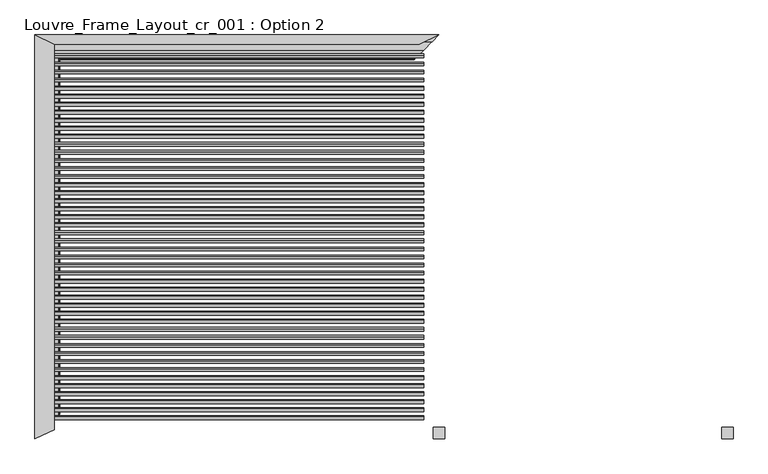
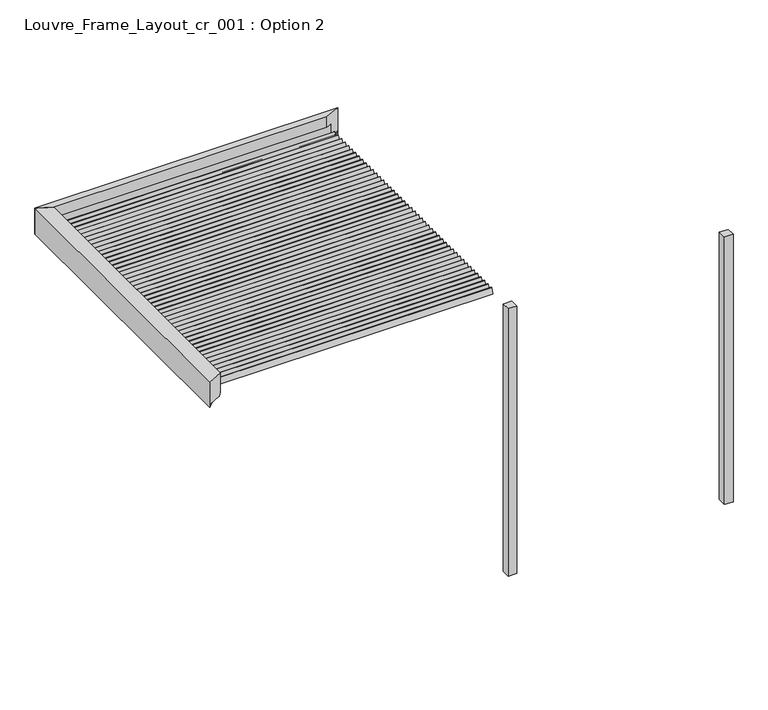
"""IFC4 building model written with IfcOpenShell, lengths in millimetres: proxy geometry, Louvre_Frame_Layout_cr_001 : Option 2."""

from ifc_helpers import new_model, si_unit, frame, origin, place, context, project, spatial, polyline, ellipse_curve, outline, extrude, source, transform, mapped, element, save
from ifc_brep_helpers import plane_surface, cylinder_surface, revolved_surface, advanced_brep


def louvre_frame_layout_cr_001_option_2_b3acac8b(model_context):
    return source(origin(), model_context, "Body", "SolidModel", [
        extrude(outline(polyline([(50.0, -1760.0), (50.0, -1860.0), (-50.0, -1860.0), (-50.0, -1760.0), (50.0, -1760.0)])), frame((0.0, 0.0, -3270.0), z_axis=(0.0, 0.0, 1.0), x_axis=(1.0, 0.0, 0.0)), (0.0, 0.0, 1.0), 3270.0),
        extrude(outline(polyline([(2550.0, -1860.0), (2450.0, -1860.0), (2450.0, -1760.0), (2550.0, -1760.0), (2550.0, -1860.0)])), frame((0.0, 0.0, -3270.0), z_axis=(0.0, 0.0, 1.0), x_axis=(1.0, 0.0, 0.0)), (0.0, 0.0, 1.0), 3270.0),
        extrude(outline(polyline([(0.0, 10.0), (3236.0, 10.0), (3236.0, 0.0), (0.0, 0.0), (0.0, 10.0)])), frame((-3368.0, -1624.9802792, 110.4249753), z_axis=(0.0, 0.3420201433256684, 0.9396926207859085), x_axis=(1.0, 0.0, 0.0)), (0.0, 0.0, 1.0), 70.0),
        extrude(outline(polyline([(0.0, 10.0), (3236.0, 10.0), (3236.0, 0.0), (0.0, 0.0), (0.0, 10.0)])), frame((-3368.0, -1555.2913903, 110.4249753), z_axis=(0.0, 0.3420201433256684, 0.9396926207859085), x_axis=(1.0, 0.0, 0.0)), (0.0, 0.0, 1.0), 70.0),
        extrude(outline(polyline([(0.0, 10.0000001), (3236.0, 10.0000001), (3236.0, 0.0), (0.0, 0.0), (0.0, 10.0000001)])), frame((-3368.0, -1485.6025015, 110.4249753), z_axis=(0.0, 0.3420201433256684, 0.9396926207859085), x_axis=(1.0, 0.0, 0.0)), (0.0, 0.0, 1.0), 70.0),
        extrude(outline(polyline([(0.0, 10.0), (3236.0, 10.0), (3236.0, 0.0), (0.0, 0.0), (0.0, 10.0)])), frame((-3368.0, -1415.9136126, 110.4249753), z_axis=(0.0, 0.3420201433256684, 0.9396926207859085), x_axis=(1.0, 0.0, 0.0)), (0.0, 0.0, 1.0), 70.0),
        extrude(outline(polyline([(0.0, 10.0), (3236.0, 10.0), (3236.0, 0.0), (0.0, 0.0), (0.0, 10.0)])), frame((-3368.0, -1346.2247237, 110.4249753), z_axis=(0.0, 0.3420201433256684, 0.9396926207859085), x_axis=(1.0, 0.0, 0.0)), (0.0, 0.0, 1.0), 70.0),
        extrude(outline(polyline([(0.0, 10.0), (3236.0, 10.0), (3236.0, 0.0), (0.0, 0.0), (0.0, 10.0)])), frame((-3368.0, -1276.5358348, 110.4249753), z_axis=(0.0, 0.3420201433256684, 0.9396926207859085), x_axis=(1.0, 0.0, 0.0)), (0.0, 0.0, 1.0), 70.0),
        extrude(outline(polyline([(0.0, 10.0), (3236.0, 10.0), (3236.0, 0.0), (0.0, 0.0), (0.0, 10.0)])), frame((-3368.0, -1206.8469459, 110.4249753), z_axis=(0.0, 0.3420201433256684, 0.9396926207859085), x_axis=(1.0, 0.0, 0.0)), (0.0, 0.0, 1.0), 70.0),
        extrude(outline(polyline([(0.0, 10.0), (3236.0, 10.0), (3236.0, 0.0), (0.0, 0.0), (0.0, 10.0)])), frame((-3368.0, -1137.158057, 110.4249753), z_axis=(0.0, 0.3420201433256684, 0.9396926207859085), x_axis=(1.0, 0.0, 0.0)), (0.0, 0.0, 1.0), 70.0),
        extrude(outline(polyline([(0.0, 10.0), (3236.0, 10.0), (3236.0, 0.0), (0.0, 0.0), (0.0, 10.0)])), frame((-3368.0, -1067.4691681, 110.4249753), z_axis=(0.0, 0.3420201433256684, 0.9396926207859085), x_axis=(1.0, 0.0, 0.0)), (0.0, 0.0, 1.0), 70.0),
        extrude(outline(polyline([(0.0, 10.0), (3236.0, 10.0), (3236.0, 0.0), (0.0, 0.0), (0.0, 10.0)])), frame((-3368.0, -997.7802792, 110.4249753), z_axis=(0.0, 0.3420201433256684, 0.9396926207859085), x_axis=(1.0, 0.0, 0.0)), (0.0, 0.0, 1.0), 70.0),
        extrude(outline(polyline([(0.0, 10.0), (3236.0, 10.0), (3236.0, 0.0), (0.0, 0.0), (0.0, 10.0)])), frame((-3368.0, -928.0913903, 110.4249753), z_axis=(0.0, 0.3420201433256684, 0.9396926207859085), x_axis=(1.0, 0.0, 0.0)), (0.0, 0.0, 1.0), 70.0),
        extrude(outline(polyline([(0.0, 10.0000001), (3236.0, 10.0000001), (3236.0, 0.0), (0.0, 0.0), (0.0, 10.0000001)])), frame((-3368.0, -858.4025015, 110.4249753), z_axis=(0.0, 0.3420201433256684, 0.9396926207859085), x_axis=(1.0, 0.0, 0.0)), (0.0, 0.0, 1.0), 70.0),
        extrude(outline(polyline([(0.0, 10.0), (3236.0, 10.0), (3236.0, 0.0), (0.0, 0.0), (0.0, 10.0)])), frame((-3368.0, -788.7136126, 110.4249753), z_axis=(0.0, 0.3420201433256684, 0.9396926207859085), x_axis=(1.0, 0.0, 0.0)), (0.0, 0.0, 1.0), 70.0),
        extrude(outline(polyline([(0.0, 10.0), (3236.0, 10.0), (3236.0, 0.0), (0.0, 0.0), (0.0, 10.0)])), frame((-3368.0, -719.0247237, 110.4249753), z_axis=(0.0, 0.3420201433256684, 0.9396926207859085), x_axis=(1.0, 0.0, 0.0)), (0.0, 0.0, 1.0), 70.0),
        extrude(outline(polyline([(0.0, 10.0), (3236.0, 10.0), (3236.0, 0.0), (0.0, 0.0), (0.0, 10.0)])), frame((-3368.0, -649.3358348, 110.4249753), z_axis=(0.0, 0.3420201433256684, 0.9396926207859085), x_axis=(1.0, 0.0, 0.0)), (0.0, 0.0, 1.0), 70.0),
        extrude(outline(polyline([(0.0, 10.0), (3236.0, 10.0), (3236.0, 0.0), (0.0, 0.0), (0.0, 10.0)])), frame((-3368.0, -579.6469459, 110.4249753), z_axis=(0.0, 0.3420201433256684, 0.9396926207859085), x_axis=(1.0, 0.0, 0.0)), (0.0, 0.0, 1.0), 70.0),
        extrude(outline(polyline([(0.0, 10.0), (3236.0, 10.0), (3236.0, 0.0), (0.0, 0.0), (0.0, 10.0)])), frame((-3368.0, -509.958057, 110.4249753), z_axis=(0.0, 0.3420201433256684, 0.9396926207859085), x_axis=(1.0, 0.0, 0.0)), (0.0, 0.0, 1.0), 70.0),
        extrude(outline(polyline([(0.0, 10.0), (3236.0, 10.0), (3236.0, 0.0), (0.0, 0.0), (0.0, 10.0)])), frame((-3368.0, -440.2691681, 110.4249753), z_axis=(0.0, 0.3420201433256684, 0.9396926207859085), x_axis=(1.0, 0.0, 0.0)), (0.0, 0.0, 1.0), 70.0),
        extrude(outline(polyline([(0.0, 10.0), (3236.0, 10.0), (3236.0, 0.0), (0.0, 0.0), (0.0, 10.0)])), frame((-3368.0, -370.5802792, 110.4249753), z_axis=(0.0, 0.3420201433256684, 0.9396926207859085), x_axis=(1.0, 0.0, 0.0)), (0.0, 0.0, 1.0), 70.0),
        extrude(outline(polyline([(0.0, 10.0), (3236.0, 10.0), (3236.0, 0.0), (0.0, 0.0), (0.0, 10.0)])), frame((-3368.0, -300.8913903, 110.4249753), z_axis=(0.0, 0.3420201433256684, 0.9396926207859085), x_axis=(1.0, 0.0, 0.0)), (0.0, 0.0, 1.0), 70.0),
        extrude(outline(polyline([(0.0, 10.0000001), (3236.0, 10.0000001), (3236.0, 0.0), (0.0, 0.0), (0.0, 10.0000001)])), frame((-3368.0, -231.2025015, 110.4249753), z_axis=(0.0, 0.3420201433256684, 0.9396926207859085), x_axis=(1.0, 0.0, 0.0)), (0.0, 0.0, 1.0), 70.0),
        extrude(outline(polyline([(0.0, 10.0), (3236.0, 10.0), (3236.0, 0.0), (0.0, 0.0), (0.0, 10.0)])), frame((-3368.0, -161.5136126, 110.4249753), z_axis=(0.0, 0.3420201433256684, 0.9396926207859085), x_axis=(1.0, 0.0, 0.0)), (0.0, 0.0, 1.0), 70.0),
        extrude(outline(polyline([(0.0, 10.0), (3236.0, 10.0), (3236.0, 0.0), (0.0, 0.0), (0.0, 10.0)])), frame((-3368.0, -91.8247237, 110.4249753), z_axis=(0.0, 0.3420201433256684, 0.9396926207859085), x_axis=(1.0, 0.0, 0.0)), (0.0, 0.0, 1.0), 70.0),
        extrude(outline(polyline([(0.0, 10.0), (3236.0, 10.0), (3236.0, 0.0), (0.0, 0.0), (0.0, 10.0)])), frame((-3368.0, -22.1358348, 110.4249753), z_axis=(0.0, 0.3420201433256684, 0.9396926207859085), x_axis=(1.0, 0.0, 0.0)), (0.0, 0.0, 1.0), 70.0),
        extrude(outline(polyline([(0.0, 10.0), (3236.0, 10.0), (3236.0, 0.0), (0.0, 0.0), (0.0, 10.0)])), frame((-3368.0, 47.5530541, 110.4249753), z_axis=(0.0, 0.3420201433256684, 0.9396926207859085), x_axis=(1.0, 0.0, 0.0)), (0.0, 0.0, 1.0), 70.0),
        extrude(outline(polyline([(0.0, 10.0), (3236.0, 10.0), (3236.0, 0.0), (0.0, 0.0), (0.0, 10.0)])), frame((-3368.0, 117.241943, 110.4249753), z_axis=(0.0, 0.3420201433256684, 0.9396926207859085), x_axis=(1.0, 0.0, 0.0)), (0.0, 0.0, 1.0), 70.0),
        extrude(outline(polyline([(0.0, 10.0), (3236.0, 10.0), (3236.0, 0.0), (0.0, 0.0), (0.0, 10.0)])), frame((-3368.0, 186.9308319, 110.4249753), z_axis=(0.0, 0.3420201433256684, 0.9396926207859085), x_axis=(1.0, 0.0, 0.0)), (0.0, 0.0, 1.0), 70.0),
        extrude(outline(polyline([(0.0, 10.0), (3236.0, 10.0), (3236.0, 0.0), (0.0, 0.0), (0.0, 10.0)])), frame((-3368.0, 256.6197208, 110.4249753), z_axis=(0.0, 0.3420201433256684, 0.9396926207859085), x_axis=(1.0, 0.0, 0.0)), (0.0, 0.0, 1.0), 70.0),
        extrude(outline(polyline([(0.0, 10.0), (3236.0, 10.0), (3236.0, 0.0), (0.0, 0.0), (0.0, 10.0)])), frame((-3368.0, 326.3086097, 110.4249753), z_axis=(0.0, 0.3420201433256684, 0.9396926207859085), x_axis=(1.0, 0.0, 0.0)), (0.0, 0.0, 1.0), 70.0),
        extrude(outline(polyline([(0.0, 10.0000001), (3236.0, 10.0000001), (3236.0, 0.0), (0.0, 0.0), (0.0, 10.0000001)])), frame((-3368.0, 395.9974985, 110.4249753), z_axis=(0.0, 0.3420201433256684, 0.9396926207859085), x_axis=(1.0, 0.0, 0.0)), (0.0, 0.0, 1.0), 70.0),
        extrude(outline(polyline([(0.0, 10.0), (3236.0, 10.0), (3236.0, 0.0), (0.0, 0.0), (0.0, 10.0)])), frame((-3368.0, 465.6863874, 110.4249753), z_axis=(0.0, 0.3420201433256684, 0.9396926207859085), x_axis=(1.0, 0.0, 0.0)), (0.0, 0.0, 1.0), 70.0),
        extrude(outline(polyline([(0.0, 10.0), (3236.0, 10.0), (3236.0, 0.0), (0.0, 0.0), (0.0, 10.0)])), frame((-3368.0, 535.3752763, 110.4249753), z_axis=(0.0, 0.3420201433256684, 0.9396926207859085), x_axis=(1.0, 0.0, 0.0)), (0.0, 0.0, 1.0), 70.0),
        extrude(outline(polyline([(0.0, 10.0), (3236.0, 10.0), (3236.0, 0.0), (0.0, 0.0), (0.0, 10.0)])), frame((-3368.0, 605.0641652, 110.4249753), z_axis=(0.0, 0.3420201433256684, 0.9396926207859085), x_axis=(1.0, 0.0, 0.0)), (0.0, 0.0, 1.0), 70.0),
        extrude(outline(polyline([(0.0, 10.0), (3236.0, 10.0), (3236.0, 0.0), (0.0, 0.0), (0.0, 10.0)])), frame((-3368.0, 674.7530541, 110.4249753), z_axis=(0.0, 0.3420201433256684, 0.9396926207859085), x_axis=(1.0, 0.0, 0.0)), (0.0, 0.0, 1.0), 70.0),
        extrude(outline(polyline([(0.0, 10.0), (3236.0, 10.0), (3236.0, 0.0), (0.0, 0.0), (0.0, 10.0)])), frame((-3368.0, 744.441943, 110.4249753), z_axis=(0.0, 0.3420201433256684, 0.9396926207859085), x_axis=(1.0, 0.0, 0.0)), (0.0, 0.0, 1.0), 70.0),
        extrude(outline(polyline([(0.0, 10.0), (3236.0, 10.0), (3236.0, 0.0), (0.0, 0.0), (0.0, 10.0)])), frame((-3368.0, 814.1308319, 110.4249753), z_axis=(0.0, 0.3420201433256684, 0.9396926207859085), x_axis=(1.0, 0.0, 0.0)), (0.0, 0.0, 1.0), 70.0),
        extrude(outline(polyline([(0.0, 10.0), (3236.0, 10.0), (3236.0, 0.0), (0.0, 0.0), (0.0, 10.0)])), frame((-3368.0, 883.8197208, 110.4249753), z_axis=(0.0, 0.3420201433256684, 0.9396926207859085), x_axis=(1.0, 0.0, 0.0)), (0.0, 0.0, 1.0), 70.0),
        extrude(outline(polyline([(0.0, 10.0), (3236.0, 10.0), (3236.0, 0.0), (0.0, 0.0), (0.0, 10.0)])), frame((-3368.0, 953.5086097, 110.4249753), z_axis=(0.0, 0.3420201433256684, 0.9396926207859085), x_axis=(1.0, 0.0, 0.0)), (0.0, 0.0, 1.0), 70.0),
        extrude(outline(polyline([(0.0, 10.0000001), (3236.0, 10.0000001), (3236.0, 0.0), (0.0, 0.0), (0.0, 10.0000001)])), frame((-3368.0, 1023.1974985, 110.4249753), z_axis=(0.0, 0.3420201433256684, 0.9396926207859085), x_axis=(1.0, 0.0, 0.0)), (0.0, 0.0, 1.0), 70.0),
        extrude(outline(polyline([(0.0, 10.0), (3236.0, 10.0), (3236.0, 0.0), (0.0, 0.0), (0.0, 10.0)])), frame((-3368.0, 1092.8863874, 110.4249753), z_axis=(0.0, 0.3420201433256684, 0.9396926207859085), x_axis=(1.0, 0.0, 0.0)), (0.0, 0.0, 1.0), 70.0),
        extrude(outline(polyline([(0.0, 10.0), (3236.0, 10.0), (3236.0, 0.0), (0.0, 0.0), (0.0, 10.0)])), frame((-3368.0, 1162.5752763, 110.4249753), z_axis=(0.0, 0.3420201433256684, 0.9396926207859085), x_axis=(1.0, 0.0, 0.0)), (0.0, 0.0, 1.0), 70.0),
        extrude(outline(polyline([(0.0, 10.0), (3236.0, 10.0), (3236.0, 0.0), (0.0, 0.0), (0.0, 10.0)])), frame((-3368.0, 1232.2641652, 110.4249753), z_axis=(0.0, 0.3420201433256684, 0.9396926207859085), x_axis=(1.0, 0.0, 0.0)), (0.0, 0.0, 1.0), 70.0),
        extrude(outline(polyline([(0.0, 10.0), (3236.0, 10.0), (3236.0, 0.0), (0.0, 0.0), (0.0, 10.0)])), frame((-3368.0, 1301.9530541, 110.4249753), z_axis=(0.0, 0.3420201433256684, 0.9396926207859085), x_axis=(1.0, 0.0, 0.0)), (0.0, 0.0, 1.0), 70.0),
        extrude(outline(polyline([(0.0, 10.0), (3236.0, 10.0), (3236.0, 0.0), (0.0, 0.0), (0.0, 10.0)])), frame((-3368.0, 1371.641943, 110.4249753), z_axis=(0.0, 0.3420201433256684, 0.9396926207859085), x_axis=(1.0, 0.0, 0.0)), (0.0, 0.0, 1.0), 70.0),
        extrude(outline(polyline([(0.0, 10.0), (3236.0, 10.0), (3236.0, 0.0), (0.0, 0.0), (0.0, 10.0)])), frame((-3368.0, -1694.6691681, 110.4249753), z_axis=(0.0, 0.3420201433256684, 0.9396926207859085), x_axis=(1.0, 0.0, 0.0)), (0.0, 0.0, 1.0), 70.0),
        extrude(outline(polyline([(0.0, 10.0), (3236.0, 10.0), (3236.0, 0.0), (0.0, 0.0), (0.0, 10.0)])), frame((-3368.0, 1441.3308319, 110.4249753), z_axis=(0.0, 0.3420201433256684, 0.9396926207859085), x_axis=(1.0, 0.0, 0.0)), (0.0, 0.0, 1.0), 70.0),
        advanced_brep(
        [(-3349.8942843, 1489.8942843, 0.0), (-3284.8218695, 1424.8218695, 26.1870213), (-3284.8218695, 1424.8218695, 39.3616238), (-3285.4888339, 1425.4888339, 40.0285881), (-3291.0621612, 1431.0621612, 40.0285881), (-3291.7291256, 1431.7291256, 39.3616238), (-3291.7291256, 1431.7291256, 25.5580129), (-3336.794989, 1476.794989, 7.4266447), (-3364.8199959, 1504.8199959, 2.0018958), (-3443.0005687, 1583.0005687, 2.0018958), (-3448.0054103, 1588.0054103, 7.0067374), (-3448.0054103, 1588.0054103, 36.2093165), (-3447.4216619, 1587.4216619, 36.793065), (-3444.7025891, 1584.7025891, 36.793065), (-3442.6996709, 1582.6996709, 38.7959832), (-3500.0, 1640.0, 38.8575344), (-3500.0, 1640.0, 0.0), (0.0, 1640.0, 0.0), (0.0, 1640.0, 38.8575344), (-57.2993831, 1582.7006169, 38.8575344), (-55.2974109, 1584.7025891, 36.793065), (-52.5783381, 1587.4216619, 36.793065), (-51.9945897, 1588.0054103, 36.2093165), (-51.9945897, 1588.0054103, 7.0067374), (-56.9994313, 1583.0005687, 2.0018958), (-135.1800041, 1504.8199959, 2.0018958), (-163.205011, 1476.794989, 7.4266447), (-208.2708744, 1431.7291256, 25.5580129), (-208.2708744, 1431.7291256, 39.3616238), (-208.9378388, 1431.0621612, 40.0285881), (-214.5111661, 1425.4888339, 40.0285881), (-215.1781305, 1424.8218695, 39.3616238), (-215.1781305, 1424.8218695, 26.1870213), (-150.1057157, 1489.8942843, 0.0), (-3378.3701643, 1582.7006169, 38.8575344), (-3378.3701643, 1582.6996709, 64.3212787), (-3382.6221378, 1584.7027935, 66.3244014), (-3388.3114217, 1587.3830392, 66.3244014), (-3389.6325118, 1588.0054103, 66.9467725), (-3389.6325118, 1588.0054103, 186.7535382), (-3330.2950263, 1560.0512704, 186.7535382), (-3330.2950263, 1560.0512704, 316.6276048), (-3500.0, 1640.0, 316.6276048), (-3500.0, 1640.0, 40.0285881), (-169.7049737, 1560.0512704, 316.6276048), (0.0, 1640.0, 316.6276048), (0.0, 1640.0, 40.0285881), (-121.6298357, 1582.7006169, 38.8575344), (-121.6298357, 1582.6996709, 64.3212787), (-117.3778622, 1584.7027935, 66.3244014), (-111.6885783, 1587.3830392, 66.3244014), (-110.3674882, 1588.0054103, 66.9467725), (-110.3674882, 1588.0054103, 186.7535382), (-169.7049737, 1560.0512704, 186.7535382)],
        [
            (0, 1),
            (1, 2),
            (2, 3, ellipse_curve(frame((-3285.4888339, 1425.4888339, 39.3616238), z_axis=(-0.7071067811865666, -0.7071067811865285, 0.0), x_axis=(0.7071067811865286, -0.7071067811865666, 0.0)), 0.94323, 0.6669644)),
            (3, 4),
            (4, 5, ellipse_curve(frame((-3291.0621612, 1431.0621612, 39.3616238), z_axis=(-0.7071067811865666, -0.7071067811865285, 0.0), x_axis=(0.7071067811865286, -0.7071067811865666, 0.0)), 0.94323, 0.6669644)),
            (5, 6),
            (6, 7),
            (7, 8, ellipse_curve(frame((-3364.8119854, 1504.8119854, 77.0634267), z_axis=(0.7071067811865666, 0.7071067811865285, 0.0), x_axis=(-0.7071067811865286, 0.7071067811865666, 0.0)), 106.1530357, 75.0615314)),
            (8, 9),
            (9, 10, ellipse_curve(frame((-3443.0005687, 1583.0005687, 7.0067374), z_axis=(0.7071067811865666, 0.7071067811865285, 0.0), x_axis=(-0.7071067811865286, 0.7071067811865666, 0.0)), 7.0779149, 5.0048416)),
            (10, 11),
            (11, 12, ellipse_curve(frame((-3447.4216619, 1587.4216619, 36.2093165), z_axis=(0.7071067811865666, 0.7071067811865285, 0.0), x_axis=(-0.7071067811865286, 0.7071067811865666, 0.0)), 0.825545, 0.5837485)),
            (12, 13),
            (13, 14, ellipse_curve(frame((-3444.7025891, 1584.7025891, 38.7959832), z_axis=(-0.7071067811865666, -0.7071067811865285, 0.0), x_axis=(0.7071067811865286, -0.7071067811865666, 0.0)), 2.832554, 2.0029182)),
            (14, 15),
            (15, 16),
            (16, 0),
            (17, 18),
            (18, 19),
            (19, 20, ellipse_curve(frame((-55.2974109, 1584.7025891, 38.7959832), z_axis=(0.7071067811865351, -0.7071067811865599, 0.0), x_axis=(0.7071067811865599, 0.7071067811865351, 0.0)), 2.832554, 2.0029182)),
            (20, 21),
            (21, 22, ellipse_curve(frame((-52.5783381, 1587.4216619, 36.2093165), z_axis=(-0.7071067811865351, 0.7071067811865599, 0.0), x_axis=(-0.7071067811865599, -0.7071067811865351, 0.0)), 0.825545, 0.5837485)),
            (22, 23),
            (23, 24, ellipse_curve(frame((-56.9994313, 1583.0005687, 7.0067374), z_axis=(-0.7071067811865351, 0.7071067811865599, 0.0), x_axis=(-0.7071067811865599, -0.7071067811865351, 0.0)), 7.0779149, 5.0048416)),
            (24, 25),
            (25, 26, ellipse_curve(frame((-135.1880146, 1504.8119854, 77.0634267), z_axis=(-0.7071067811865351, 0.7071067811865599, 0.0), x_axis=(-0.7071067811865599, -0.7071067811865351, 0.0)), 106.1530357, 75.0615314)),
            (26, 27),
            (27, 28),
            (28, 29, ellipse_curve(frame((-208.9378388, 1431.0621612, 39.3616238), z_axis=(0.7071067811865351, -0.7071067811865599, 0.0), x_axis=(0.7071067811865599, 0.7071067811865351, 0.0)), 0.94323, 0.6669644)),
            (29, 30),
            (30, 31, ellipse_curve(frame((-214.5111661, 1425.4888339, 39.3616238), z_axis=(0.7071067811865351, -0.7071067811865599, 0.0), x_axis=(0.7071067811865599, 0.7071067811865351, 0.0)), 0.94323, 0.6669644)),
            (31, 32),
            (32, 33),
            (33, 17),
            (14, 34),
            (34, 15),
            (34, 35),
            (35, 36, ellipse_curve(frame((-3382.6221378, 1584.7027935, 64.3212787), z_axis=(-0.426179151091085, -0.9046387849165446, 0.0), x_axis=(0.9046387849165445, -0.426179151091085, 0.0)), 4.7001892, 2.0031227)),
            (36, 37),
            (37, 38, ellipse_curve(frame((-3388.3114217, 1587.3830392, 66.9467725), z_axis=(0.426179151091085, 0.9046387849165446, 0.0), x_axis=(-0.9046387849165445, 0.426179151091085, 0.0)), 1.460351, 0.6223711)),
            (38, 39),
            (39, 40),
            (40, 41),
            (41, 42),
            (42, 43),
            (43, 15),
            (41, 44),
            (44, 45),
            (45, 42),
            (45, 46),
            (46, 18),
            (17, 16),
            (33, 0),
            (32, 1),
            (31, 2),
            (30, 3),
            (29, 4),
            (28, 5),
            (27, 6),
            (26, 7),
            (25, 8),
            (24, 9),
            (23, 10),
            (22, 11),
            (21, 12),
            (20, 13),
            (19, 47),
            (47, 34),
            (47, 48),
            (48, 35),
            (48, 49, ellipse_curve(frame((-117.3778622, 1584.7027935, 64.3212787), z_axis=(-0.4261791510912805, 0.9046387849164524, 0.0), x_axis=(0.9046387849164526, 0.4261791510912806, 0.0)), 4.7001892, 2.0031227)),
            (49, 36),
            (49, 50),
            (50, 37),
            (50, 51, ellipse_curve(frame((-111.6885783, 1587.3830392, 66.9467725), z_axis=(0.4261791510912805, -0.9046387849164524, 0.0), x_axis=(-0.9046387849164526, -0.4261791510912806, 0.0)), 1.460351, 0.6223711)),
            (51, 38),
            (51, 52),
            (52, 39),
            (52, 53),
            (53, 40),
            (53, 44),
            (18, 47),
        ],
        [
            plane_surface(frame((-3500.0, 1640.0, 40.0285881), z_axis=(-0.7071067811865666, -0.7071067811865285, 0.0), x_axis=(0.0, 0.0, -1.0))),
            plane_surface(frame((-258.0939751, 1381.9060249, 40.0285881), z_axis=(0.7071067811865351, -0.7071067811865599, 0.0), x_axis=(0.0, 0.0, -1.0))),
            plane_surface(frame((-3500.0, 1560.0512704, 38.8575344), z_axis=(0.0, 0.0, 1.0), x_axis=(1.0, 0.0, 0.0))),
            plane_surface(frame((-3500.0, 1640.0, 398.4370867), z_axis=(-0.426179151091085, -0.9046387849165446, 0.0), x_axis=(0.0, 0.0, -1.0))),
            plane_surface(frame((0.0, 1560.0512704, 316.6276048), z_axis=(0.0, 0.0, 1.0), x_axis=(-1.0, 0.0, 0.0))),
            plane_surface(frame((0.0, 1640.0, 316.6276048), z_axis=(0.0, 1.0, 0.0), x_axis=(-1.0, 0.0, 0.0))),
            plane_surface(frame((0.0, 1640.0, 0.0), z_axis=(0.0, 0.0, -1.0), x_axis=(-1.0, 0.0, 0.0))),
            plane_surface(frame((0.0, 1489.8942843, 0.0), z_axis=(0.0, -0.3733323631651337, -0.927697659053604), x_axis=(-1.0, 0.0, 0.0))),
            plane_surface(frame((0.0, 1424.8218695, 26.1870213), z_axis=(0.0, -1.0, 0.0), x_axis=(-1.0, 0.0, 0.0))),
            cylinder_surface(frame((0.0, 1425.4888339, 39.3616238), z_axis=(1.0, 0.0, 0.0), x_axis=(0.0, 1.0, 0.0)), 0.6669644),
            plane_surface(frame((0.0, 1425.4888339, 40.0285881), z_axis=(0.0, 0.0, 1.0), x_axis=(-1.0, 0.0, 0.0))),
            cylinder_surface(frame((0.0, 1431.0621612, 39.3616238), z_axis=(1.0, 0.0, 0.0), x_axis=(0.0, -1.0, 0.0)), 0.6669644),
            plane_surface(frame((0.0, 1431.7291256, 39.3616238), z_axis=(0.0, 1.0, 0.0), x_axis=(-1.0, 0.0, 0.0))),
            plane_surface(frame((0.0, 1431.7291256, 25.5580129), z_axis=(0.0, 0.37325372835204085, 0.9277293001039155), x_axis=(-1.0, 0.0, 0.0))),
            revolved_surface(polyline([(-3439.873516787006, 1429.750454, 77.0634267), (-60.12648321299102, 1429.750454, 77.0634267)]), (0.0, 1504.8119854, 77.0634267), (-1.0, 0.0, 0.0)),
            plane_surface(frame((0.0, 1504.8199959, 2.0018958), z_axis=(0.0, 0.0, 1.0), x_axis=(-1.0, 0.0, 0.0))),
            revolved_surface(polyline([(-3448.005410322451, 1577.9957271, 7.0067374), (-51.9945896775486, 1577.9957271, 7.0067374)]), (0.0, 1583.0005687, 7.0067374), (-1.0, 0.0, 0.0)),
            plane_surface(frame((0.0, 1588.0054103, 7.0067374), z_axis=(0.0, -1.0, 0.0), x_axis=(-1.0, 0.0, 0.0))),
            revolved_surface(polyline([(-3448.0054103676744, 1586.8379134, 36.2093165), (-51.994589632325344, 1586.8379134, 36.2093165)]), (0.0, 1587.4216619, 36.2093165), (-1.0, 0.0, 0.0)),
            plane_surface(frame((0.0, 1587.4216619, 36.793065), z_axis=(0.0, 0.0, -1.0), x_axis=(-1.0, 0.0, 0.0))),
            cylinder_surface(frame((0.0, 1584.7025891, 38.7959832), z_axis=(1.0, 0.0, 0.0), x_axis=(0.0, -1.0, 0.0)), 2.0029182),
            plane_surface(frame((0.0, 1582.6996709, 38.7959832), z_axis=(0.0, -1.0, 0.0), x_axis=(-1.0, 0.0, 0.0))),
            cylinder_surface(frame((0.0, 1584.7027935, 64.3212787), z_axis=(1.0, 0.0, 0.0), x_axis=(0.0, -1.0, 0.0)), 2.0031227),
            plane_surface(frame((0.0, 1584.7027935, 66.3244014), z_axis=(0.0, 0.0, 1.0), x_axis=(-1.0, 0.0, 0.0))),
            revolved_surface(polyline([(-3389.6325118541918, 1586.7606681, 66.9467725), (-110.36748814580848, 1586.7606681, 66.9467725)]), (0.0, 1587.3830392, 66.9467725), (-1.0, 0.0, 0.0)),
            plane_surface(frame((0.0, 1588.0054103, 66.9467725), z_axis=(0.0, -1.0, 0.0), x_axis=(-1.0, 0.0, 0.0))),
            plane_surface(frame((0.0, 1588.0054103, 186.7535382), z_axis=(0.0, 0.0, -1.0), x_axis=(-1.0, 0.0, 0.0))),
            plane_surface(frame((0.0, 1560.0512704, 186.7535382), z_axis=(0.0, -1.0, 0.0), x_axis=(-1.0, 0.0, 0.0))),
            plane_surface(frame((0.0, 1640.0, 38.8575344), z_axis=(0.0, 0.0, 1.0), x_axis=(-0.9046387849164524, -0.4261791510912805, 0.0))),
            plane_surface(frame((-169.7049737, 1560.0512704, 398.4370867), z_axis=(0.4261791510912805, -0.9046387849164524, 0.0), x_axis=(0.0, 0.0, -1.0))),
        ],
        [
            (0, [[1, 2, 3, 4, 5, 6, 7, 8, 9, 10, 11, 12, 13, 14, 15, 16, 17]]),
            (1, [[18, 19, 20, 21, 22, 23, 24, 25, 26, 27, 28, 29, 30, 31, 32, 33, 34]]),
            (2, [[-15, 35, 36]]),
            (3, [[37, 38, 39, 40, 41, 42, 43, 44, 45, 46, -36]]),
            (4, [[-44, 47, 48, 49]]),
            (5, [[50, 51, -18, 52, -16, -46, -45, -49]]),
            (6, [[-34, 53, -17, -52]]),
            (7, [[-53, -33, 54, -1]]),
            (8, [[-54, -32, 55, -2]]),
            (9, [[-55, -31, 56, -3]]),
            (10, [[-56, -30, 57, -4]]),
            (11, [[-57, -29, 58, -5]]),
            (12, [[-58, -28, 59, -6]]),
            (13, [[-59, -27, 60, -7]]),
            (14, [[-60, -26, 61, -8]]),
            (15, [[-61, -25, 62, -9]]),
            (16, [[-62, -24, 63, -10]]),
            (17, [[-63, -23, 64, -11]]),
            (18, [[-64, -22, 65, -12]]),
            (19, [[-65, -21, 66, -13]]),
            (20, [[-66, -20, 67, 68, -35, -14]]),
            (21, [[-68, 69, 70, -37]]),
            (22, [[-70, 71, 72, -38]]),
            (23, [[-72, 73, 74, -39]]),
            (24, [[-74, 75, 76, -40]]),
            (25, [[-76, 77, 78, -41]]),
            (26, [[-78, 79, 80, -42]]),
            (27, [[-80, 81, -47, -43]]),
            (28, [[-67, -19, 82]]),
            (29, [[-51, -50, -48, -81, -79, -77, -75, -73, -71, -69, -82]]),
        ],
    ),
        advanced_brep(
        [(-3500.0, -1860.0, 40.0285881), (-3500.0, -1860.0, 36.793065), (-3500.0, -1860.0, 0.0), (-3349.8942843, -1709.9379038, 0.0), (-3285.3886853, -1645.4510496, 25.9589183), (-3284.8218695, -1644.8843985, 26.5150991), (-3284.8218695, -1644.8843985, 39.3616238), (-3285.4888339, -1645.5511691, 40.0285881), (-3291.0621612, -1651.1228768, 40.0285881), (-3291.7291256, -1651.7896474, 39.3616238), (-3291.7291256, -1651.7896474, 25.5580129), (-3336.794989, -1696.842415, 7.4266447), (-3364.8199959, -1724.8592781, 2.0018958), (-3443.0005687, -1803.0171323, 2.0018958), (-3448.0054103, -1808.0205195, 7.0067374), (-3448.0054103, -1808.0205195, 30.0771301), (-3437.2798539, -1797.2980799, 30.0771301), (-3437.2798539, -1797.2980799, 37.2197882), (-3435.6421077, -1795.6608096, 38.8575344), (-3357.499356, -1717.5407655, 38.8575344), (-3354.7049082, -1714.7471297, 40.0285881), (-3354.7049082, 1494.7471297, 40.0285881), (-3357.499356, 1497.5407655, 38.8575344), (-3435.6421077, 1575.6608096, 38.8575344), (-3437.2798539, 1577.2980799, 37.2197882), (-3437.2798539, 1577.2980799, 30.0771301), (-3448.0054103, 1588.0205195, 30.0771301), (-3448.0054103, 1588.0205195, 7.0067374), (-3443.0005687, 1583.0171323, 2.0018958), (-3364.8199959, 1504.8592781, 2.0018958), (-3336.794989, 1476.842415, 7.4266447), (-3291.7291256, 1431.7896474, 25.5580129), (-3291.7291256, 1431.7896474, 39.3616238), (-3291.0621612, 1431.1228768, 40.0285881), (-3285.4888339, 1425.5511691, 40.0285881), (-3284.8218695, 1424.8843985, 39.3616238), (-3284.8218695, 1424.8843985, 26.5150991), (-3285.3886853, 1425.4510496, 25.9589183), (-3349.8942843, 1489.9379038, 0.0), (-3500.0, 1640.0, 0.0), (-3500.0, 1640.0, 36.793065), (-3500.0, 1640.0, 40.0285881), (-3330.2950263, 1560.0512704, 186.2985422), (-3336.7193678, 1563.0778048, 186.2985422), (-3336.7193678, 1563.0778048, 88.3970766), (-3330.3018549, 1560.0544873, 88.3970766), (-3330.3018549, 1560.0544873, 79.2796958), (-3352.0673551, 1570.3083064, 42.7736155), (-3354.7049082, 1571.5508688, 40.0285881), (-3500.0, 1640.0, 315.1230176), (-3330.2950263, 1560.0512704, 315.1230176), (-3354.7049082, -1791.5508688, 40.0285881), (-3330.2950263, -1780.0512704, 315.1230176), (-3330.2950263, -1780.0512704, 186.2985422), (-3336.7193678, -1783.0778048, 186.2985422), (-3336.7193678, -1783.0778048, 88.3970766), (-3330.3018549, -1780.0544873, 88.3970766), (-3330.3018549, -1780.0544873, 79.2796958), (-3352.0673551, -1790.3083064, 42.7736155), (-3500.0, -1860.0, 315.1230176)],
        [
            (0, 1),
            (1, 2),
            (2, 3),
            (3, 4),
            (4, 5, ellipse_curve(frame((-3285.7754513, -1645.8377032, 26.9199973), z_axis=(0.7070040190667776, -0.7072095283743168, 0.0), x_axis=(-0.7072095283743168, -0.7070040190667775, 0.0)), 1.4648884, 1.035983)),
            (5, 6),
            (6, 7, ellipse_curve(frame((-3285.4888339, -1645.5511691, 39.3616238), z_axis=(0.7070040190667776, -0.7072095283743168, 0.0), x_axis=(-0.7072095283743168, -0.7070040190667775, 0.0)), 0.943093, 0.6669644)),
            (7, 8),
            (8, 9, ellipse_curve(frame((-3291.0621612, -1651.1228768, 39.3616238), z_axis=(0.7070040190667776, -0.7072095283743168, 0.0), x_axis=(-0.7072095283743168, -0.7070040190667775, 0.0)), 0.943093, 0.6669644)),
            (9, 10),
            (10, 11),
            (11, 12, ellipse_curve(frame((-3364.8119854, -1724.85127, 77.0634267), z_axis=(-0.7070040190667776, 0.7072095283743168, 0.0), x_axis=(0.7072095283743168, 0.7070040190667775, 0.0)), 106.1376132, 75.0615314)),
            (12, 13),
            (13, 14, ellipse_curve(frame((-3443.0005687, -1803.0171323, 7.0067374), z_axis=(-0.7070040190667776, 0.7072095283743168, 0.0), x_axis=(0.7072095283743168, 0.7070040190667775, 0.0)), 7.0768866, 5.0048416)),
            (14, 15),
            (15, 16),
            (16, 17),
            (17, 18, ellipse_curve(frame((-3435.6421077, -1795.6608096, 37.2197882), z_axis=(-0.7070040190667776, 0.7072095283743168, 0.0), x_axis=(0.7072095283743168, 0.7070040190667775, 0.0)), 2.3157864, 1.6377462)),
            (18, 19),
            (19, 20, ellipse_curve(frame((-3359.3065931, -1719.3474774, 47.0897633), z_axis=(0.7070040190667776, -0.7072095283743168, 0.0), x_axis=(-0.7072095283743168, -0.7070040190667775, 0.0)), 11.917639, 8.4282679)),
            (20, 0),
            (21, 22, ellipse_curve(frame((-3359.3065931, 1499.3474775, 47.0897633), z_axis=(0.707004019064737, 0.707209528376357, 0.0), x_axis=(0.707209528376357, -0.7070040190647368, 0.0)), 11.917639, 8.4282679)),
            (22, 23),
            (23, 24, ellipse_curve(frame((-3435.6421077, 1575.6608096, 37.2197882), z_axis=(-0.707004019064737, -0.707209528376357, 0.0), x_axis=(-0.707209528376357, 0.7070040190647368, 0.0)), 2.3157864, 1.6377462)),
            (24, 25),
            (25, 26),
            (26, 27),
            (27, 28, ellipse_curve(frame((-3443.0005687, 1583.0171323, 7.0067374), z_axis=(-0.707004019064737, -0.707209528376357, 0.0), x_axis=(-0.707209528376357, 0.7070040190647368, 0.0)), 7.0768866, 5.0048416)),
            (28, 29),
            (29, 30, ellipse_curve(frame((-3364.8119854, 1504.85127, 77.0634267), z_axis=(-0.707004019064737, -0.707209528376357, 0.0), x_axis=(-0.707209528376357, 0.7070040190647368, 0.0)), 106.1376132, 75.0615314)),
            (30, 31),
            (31, 32),
            (32, 33, ellipse_curve(frame((-3291.0621612, 1431.1228768, 39.3616238), z_axis=(0.707004019064737, 0.707209528376357, 0.0), x_axis=(0.707209528376357, -0.7070040190647368, 0.0)), 0.943093, 0.6669644)),
            (33, 34),
            (34, 35, ellipse_curve(frame((-3285.4888339, 1425.5511691, 39.3616238), z_axis=(0.707004019064737, 0.707209528376357, 0.0), x_axis=(0.707209528376357, -0.7070040190647368, 0.0)), 0.943093, 0.6669644)),
            (35, 36),
            (36, 37, ellipse_curve(frame((-3285.7754513, 1425.8377032, 26.9199973), z_axis=(0.707004019064737, 0.707209528376357, 0.0), x_axis=(0.707209528376357, -0.7070040190647368, 0.0)), 1.4648884, 1.035983)),
            (37, 38),
            (38, 39),
            (39, 40),
            (40, 41),
            (41, 21),
            (42, 43),
            (43, 44),
            (44, 45),
            (45, 46),
            (46, 47),
            (47, 48, ellipse_curve(frame((-3359.3065931, 1573.718742, 47.0897633), z_axis=(0.42617915109108384, 0.9046387849165451, 0.0), x_axis=(0.9046387849165451, -0.42617915109108356, 0.0)), 9.3167218, 8.4282679)),
            (48, 41),
            (41, 49),
            (49, 50),
            (50, 42),
            (20, 51),
            (51, 0),
            (48, 21),
            (50, 52),
            (52, 53),
            (53, 42),
            (53, 54),
            (54, 43),
            (54, 55),
            (55, 44),
            (55, 56),
            (56, 45),
            (56, 57),
            (57, 46),
            (57, 58),
            (58, 47),
            (19, 22),
            (58, 51, ellipse_curve(frame((-3359.3065931, -1793.718742, 47.0897633), z_axis=(-0.42617915109110643, 0.9046387849165345, 0.0), x_axis=(-0.9046387849165346, -0.42617915109110627, 0.0)), 9.3167218, 8.4282679)),
            (18, 23),
            (17, 24),
            (16, 25),
            (15, 26),
            (14, 27),
            (13, 28),
            (12, 29),
            (11, 30),
            (10, 31),
            (9, 32),
            (8, 33),
            (7, 34),
            (6, 35),
            (5, 36),
            (4, 37),
            (3, 38),
            (2, 39),
            (0, 59),
            (59, 49),
            (59, 52),
        ],
        [
            plane_surface(frame((-3500.0, -1860.0, 40.0285881), z_axis=(0.7070040190667776, -0.7072095283743168, 0.0), x_axis=(0.0, 0.0, -1.0))),
            plane_surface(frame((-3241.9060249, 1381.9810249, 40.0285881), z_axis=(0.707004019064737, 0.707209528376357, 0.0), x_axis=(0.0, 0.0, -1.0))),
            plane_surface(frame((-3330.2950263, 1560.0512704, 355.5911694), z_axis=(0.42617915109108384, 0.9046387849165451, 0.0), x_axis=(0.0, 0.0, -1.0))),
            plane_surface(frame((-3241.9060249, -1601.9810249, 40.0285881), z_axis=(0.0, 0.0, -1.0), x_axis=(0.0, -1.0, 0.0))),
            plane_surface(frame((-3500.0, 1640.0, 40.0285881), z_axis=(0.0, 0.0, -1.0000000000000002), x_axis=(-0.707209528376357, 0.707004019064737, 0.0))),
            plane_surface(frame((-3330.2950263, -1860.0, 315.1230176), z_axis=(1.0, 0.0, 0.0), x_axis=(0.0, 1.0, 0.0))),
            plane_surface(frame((-3330.2950263, -1860.0, 186.2985422), z_axis=(0.0, 0.0, -1.0), x_axis=(0.0, 1.0, 0.0))),
            plane_surface(frame((-3336.7193678, -1860.0, 186.2985422), z_axis=(1.0, 0.0, 0.0), x_axis=(0.0, 1.0, 0.0))),
            plane_surface(frame((-3336.7193678, -1860.0, 88.3970766), z_axis=(0.0, 0.0, 1.0), x_axis=(0.0, 1.0, 0.0))),
            plane_surface(frame((-3330.3018549, -1860.0, 88.3970766), z_axis=(1.0, 0.0, 0.0), x_axis=(0.0, 1.0, 0.0))),
            plane_surface(frame((-3330.3018549, -1860.0, 79.2796958), z_axis=(0.8589235852565517, 0.0, -0.5121037733604697), x_axis=(0.0, 1.0, 0.0))),
            cylinder_surface(frame((-3359.3065931, -1860.0, 47.0897633), z_axis=(0.0, -1.0, 0.0), x_axis=(1.0, 0.0, 0.0)), 8.4282679),
            plane_surface(frame((-3357.499356, -1860.0, 38.8575344), z_axis=(0.0, 0.0, -1.0), x_axis=(0.0, 1.0, 0.0))),
            revolved_surface(polyline([(-3434.0043615, 1577.2980798999997, 37.2197882), (-3434.0043615, -1797.2980799, 37.2197882)]), (-3435.6421077, -1860.0, 37.2197882), (0.0, 1.0, 0.0)),
            plane_surface(frame((-3437.2798539, -1860.0, 37.2197882), z_axis=(1.0, 0.0, 0.0), x_axis=(0.0, 1.0, 0.0))),
            plane_surface(frame((-3437.2798539, -1860.0, 30.0771301), z_axis=(0.0, 0.0, -1.0), x_axis=(0.0, 1.0, 0.0))),
            plane_surface(frame((-3448.0054103, -1860.0, 30.0771301), z_axis=(1.0, 0.0, 0.0), x_axis=(0.0, 1.0, 0.0))),
            revolved_surface(polyline([(-3437.9957271, 1588.0205195686653, 7.0067374), (-3437.9957271, -1808.0205195686797, 7.0067374)]), (-3443.0005687, -1860.0, 7.0067374), (0.0, 1.0, 0.0)),
            plane_surface(frame((-3443.0005687, -1860.0, 2.0018958), z_axis=(0.0, 0.0, 1.0), x_axis=(0.0, 1.0, 0.0))),
            revolved_surface(polyline([(-3289.750454, 1579.8909891063386, 77.0634267), (-3289.750454, -1799.8909891065553, 77.0634267)]), (-3364.8119854, -1860.0, 77.0634267), (0.0, 1.0, 0.0)),
            plane_surface(frame((-3336.794989, -1860.0, 7.4266447), z_axis=(-0.37325372835204107, 0.0, 0.9277293001039154), x_axis=(0.0, 1.0, 0.0))),
            plane_surface(frame((-3291.7291256, -1860.0, 25.5580129), z_axis=(-1.0, 0.0, 0.0), x_axis=(0.0, 1.0, 0.0))),
            cylinder_surface(frame((-3291.0621612, -1860.0, 39.3616238), z_axis=(0.0, -1.0, 0.0), x_axis=(1.0, 0.0, 0.0)), 0.6669644),
            plane_surface(frame((-3291.0621612, -1860.0, 40.0285881), z_axis=(0.0, 0.0, 1.0), x_axis=(0.0, 1.0, 0.0))),
            cylinder_surface(frame((-3285.4888339, -1860.0, 39.3616238), z_axis=(0.0, -1.0, 0.0), x_axis=(-1.0, 0.0, 0.0)), 0.6669644),
            plane_surface(frame((-3284.8218695, -1860.0, 39.3616238), z_axis=(1.0, 0.0, 0.0), x_axis=(0.0, 1.0, 0.0))),
            cylinder_surface(frame((-3285.7754513, -1860.0, 26.9199973), z_axis=(0.0, -1.0, 0.0), x_axis=(1.0, 0.0, 0.0)), 1.035983),
            plane_surface(frame((-3285.3886853, -1860.0, 25.9589183), z_axis=(0.3733323631651337, 0.0, -0.9276976590536039), x_axis=(0.0, 1.0, 0.0))),
            plane_surface(frame((-3349.8942843, -1860.0, 0.0), z_axis=(0.0, 0.0, -1.0), x_axis=(0.0, 1.0, 0.0))),
            plane_surface(frame((-3500.0, -1860.0, 0.0), z_axis=(-1.0, 0.0, 0.0), x_axis=(0.0, 1.0, 0.0))),
            plane_surface(frame((-3500.0, -1860.0, 315.1230176), z_axis=(0.0, 0.0, 1.0), x_axis=(0.0, 1.0, 0.0))),
            plane_surface(frame((-3500.0, -1860.0, 355.5911694), z_axis=(0.42617915109110643, -0.9046387849165345, 0.0), x_axis=(0.0, 0.0, -1.0))),
        ],
        [
            (0, [[1, 2, 3, 4, 5, 6, 7, 8, 9, 10, 11, 12, 13, 14, 15, 16, 17, 18, 19, 20, 21]]),
            (1, [[22, 23, 24, 25, 26, 27, 28, 29, 30, 31, 32, 33, 34, 35, 36, 37, 38, 39, 40, 41, 42]]),
            (2, [[43, 44, 45, 46, 47, 48, 49, 50, 51, 52]]),
            (3, [[53, 54, -21]]),
            (4, [[-49, 55, -42]]),
            (5, [[56, 57, 58, -52]]),
            (6, [[-58, 59, 60, -43]]),
            (7, [[-60, 61, 62, -44]]),
            (8, [[-62, 63, 64, -45]]),
            (9, [[-64, 65, 66, -46]]),
            (10, [[-66, 67, 68, -47]]),
            (11, [[69, -22, -55, -48, -68, 70, -53, -20]]),
            (12, [[71, -23, -69, -19]]),
            (13, [[72, -24, -71, -18]]),
            (14, [[73, -25, -72, -17]]),
            (15, [[74, -26, -73, -16]]),
            (16, [[75, -27, -74, -15]]),
            (17, [[76, -28, -75, -14]]),
            (18, [[77, -29, -76, -13]]),
            (19, [[78, -30, -77, -12]]),
            (20, [[79, -31, -78, -11]]),
            (21, [[80, -32, -79, -10]]),
            (22, [[81, -33, -80, -9]]),
            (23, [[82, -34, -81, -8]]),
            (24, [[83, -35, -82, -7]]),
            (25, [[84, -36, -83, -6]]),
            (26, [[85, -37, -84, -5]]),
            (27, [[86, -38, -85, -4]]),
            (28, [[-39, -86, -3, 87]]),
            (29, [[-2, -1, 88, 89, -50, -41, -40, -87]]),
            (30, [[90, -56, -51, -89]]),
            (31, [[-90, -88, -54, -70, -67, -65, -63, -61, -59, -57]]),
        ],
    ),
    ])


if __name__ == "__main__":
    model = new_model("IFC4")
    model_context = context("Model", 3, world=origin())
    ifc_project = project(units=[si_unit("LENGTHUNIT", "METRE", prefix="MILLI")], contexts=[model_context])
    site = spatial("IfcSite", under=ifc_project)
    building = spatial("IfcBuilding", under=site)
    placement = place(None, origin())
    louvre_frame_layout_cr_001_option_2_shape = louvre_frame_layout_cr_001_option_2_b3acac8b(model_context)
    element("IfcBuildingElementProxy", 1, Name="Louvre_Frame_Layout_cr_001 : Option 2", ObjectType="Louvre_Frame_Layout_cr_001 : Option 2", at=placement, inside=building, context=model_context, shape_type="MappedRepresentation", body=[
        mapped(louvre_frame_layout_cr_001_option_2_shape, transform((0.0, 0.0, 0.0), x_axis=(1.0, 0.0, 0.0), y_axis=(0.0, 1.0, 0.0), z_axis=(0.0, 0.0, 1.0))),
    ])
    save(model, "model.ifc")
